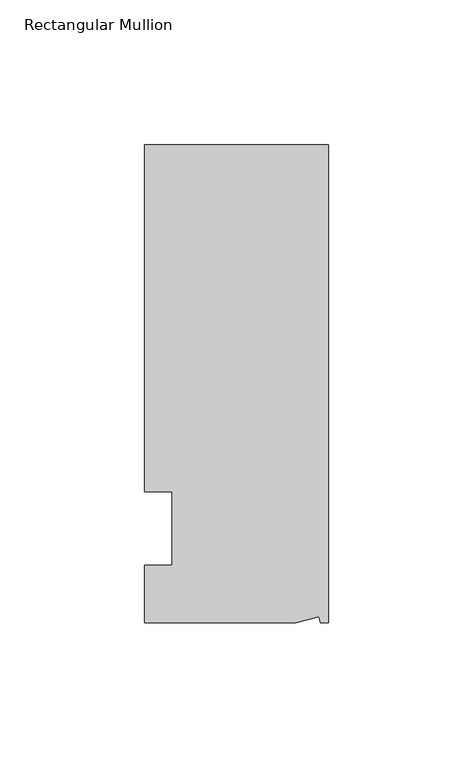
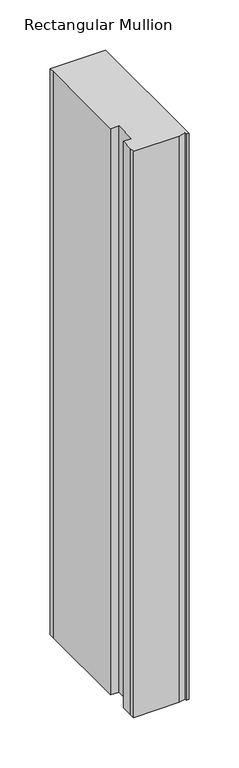
"""IFC4 building model written with IfcOpenShell, lengths in millimetres: member geometry, Rectangular Mullion."""

from ifc_helpers import new_model, si_unit, frame, origin, place, context, project, spatial, polyline, outline, extrude, source, transform, mapped, element, save


def rectangular_mullion_3af4e686(model_context):
    return source(origin(), model_context, "Body", "SweptSolid", [
        extrude(outline(polyline([(0.0, 132.5561012), (0.0, -32.5438988), (-2.7616541, -32.5438988), (-3.3341886, -30.4622958), (-11.121847, -32.5438988), (-63.5, -32.5438988), (-63.5, -26.1938988), (-63.5, -12.5945801), (-53.975, -12.5945801), (-53.975, 12.8054199), (-63.5, 12.8054199), (-63.5, 126.2061012), (-63.5, 132.5561012), (0.0, 132.5561012)])), frame((0.0, 0.0, -685.8), z_axis=(0.0, 0.0, 1.0), x_axis=(1.0, 0.0, 0.0)), (0.0, 0.0, 1.0), 685.8),
    ])


if __name__ == "__main__":
    model = new_model("IFC4")
    model_context = context("Model", 3, world=origin())
    ifc_project = project(units=[si_unit("LENGTHUNIT", "METRE", prefix="MILLI")], contexts=[model_context])
    site = spatial("IfcSite", under=ifc_project)
    building = spatial("IfcBuilding", under=site)
    placement = place(None, origin())
    rectangular_mullion_shape = rectangular_mullion_3af4e686(model_context)
    element("IfcMember", 1, ObjectType="Rectangular Mullion", at=placement, inside=building, context=model_context, shape_type="MappedRepresentation", body=[
        mapped(rectangular_mullion_shape, transform((0.0, 0.0, 0.0), x_axis=(1.0, 0.0, 0.0), y_axis=(0.0, 1.0, 0.0), z_axis=(0.0, 0.0, 1.0))),
    ])
    save(model, "model.ifc")
